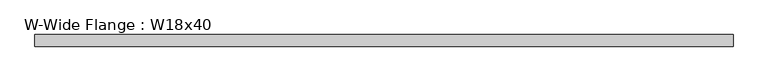
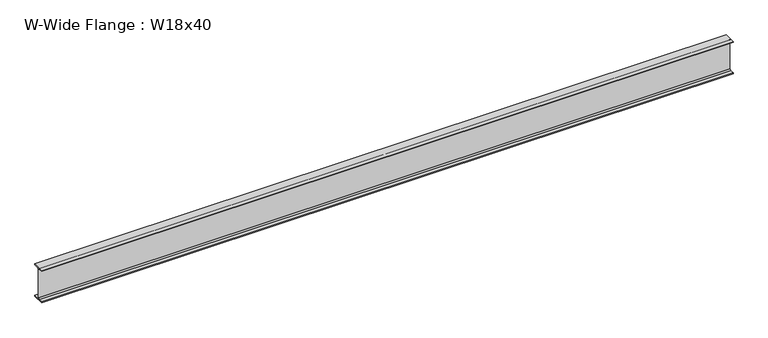
"""IFC4 building model written with IfcOpenShell, lengths in millimetres: beam geometry, W-Wide Flange : W18x40."""

from ifc_helpers import new_model, si_unit, point, frame, frame_2d, origin, place, context, project, spatial, polyline, circle_curve, trimmed, segment, composite_curve, outline, extrude, source, transform, mapped, element, save


def w_wide_flange_w18x40_a718e877(model_context):
    return source(origin(), model_context, "Body", "SweptSolid", [
        extrude(outline(composite_curve([segment(polyline([(76.454, -213.995), (76.454, -227.33), (-76.454, -227.33), (-76.454, -213.995), (-20.828, -213.995)]), True, "CONTINUOUS"), segment(trimmed(circle_curve(frame_2d((-20.828, -197.1675)), 16.8275), [point((-20.828, -213.995))], [point((-4.0005, -197.1675))], True, "CARTESIAN"), True, "CONTINUOUS"), segment(polyline([(-4.0005, -197.1675), (-4.0005, 197.1675)]), True, "CONTINUOUS"), segment(trimmed(circle_curve(frame_2d((-20.828, 197.1675)), 16.8275), [point((-4.0005, 197.1675))], [point((-20.828, 213.995))], True, "CARTESIAN"), True, "CONTINUOUS"), segment(polyline([(-20.828, 213.995), (-76.454, 213.995), (-76.454, 227.33), (76.454, 227.33), (76.454, 213.995), (20.828, 213.995)]), True, "CONTINUOUS"), segment(trimmed(circle_curve(frame_2d((20.828, 197.1675)), 16.8275), [point((20.828, 213.995))], [point((4.0005, 197.1675))], True, "CARTESIAN"), True, "CONTINUOUS"), segment(polyline([(4.0005, 197.1675), (4.0005, -197.1675)]), True, "CONTINUOUS"), segment(trimmed(circle_curve(frame_2d((20.828, -197.1675)), 16.8275), [point((4.0005, -197.1675))], [point((20.828, -213.995))], True, "CARTESIAN"), True, "CONTINUOUS"), segment(polyline([(20.828, -213.995), (76.454, -213.995)]), True, "CONTINUOUS")], self_intersect=False)), frame((-4631.3634401, 0.0, 0.0), z_axis=(1.0, 0.0, 0.0), x_axis=(0.0, 1.0, 0.0)), (0.0, 0.0, 1.0), 9181.5631773),
    ])


if __name__ == "__main__":
    model = new_model("IFC4")
    model_context = context("Model", 3, world=origin())
    ifc_project = project(units=[si_unit("LENGTHUNIT", "METRE", prefix="MILLI")], contexts=[model_context])
    site = spatial("IfcSite", under=ifc_project)
    building = spatial("IfcBuilding", under=site)
    placement = place(None, origin())
    w_wide_flange_w18x40_shape = w_wide_flange_w18x40_a718e877(model_context)
    element("IfcBeam", 1, ObjectType="W-Wide Flange : W18x40", at=placement, inside=building, context=model_context, shape_type="MappedRepresentation", body=[
        mapped(w_wide_flange_w18x40_shape, transform((0.0, 0.0, 0.0), x_axis=(1.0, 0.0, 0.0), y_axis=(0.0, 1.0, 0.0), z_axis=(0.0, 0.0, 1.0))),
    ])
    save(model, "model.ifc")
